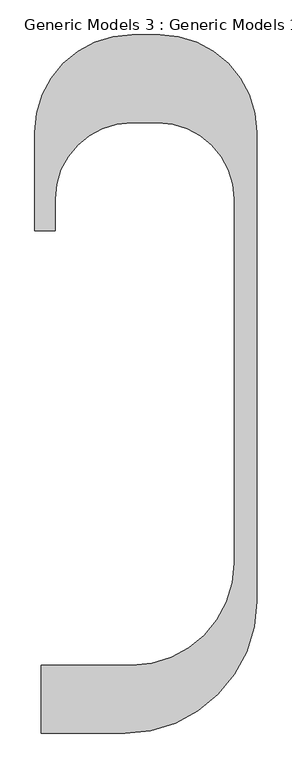
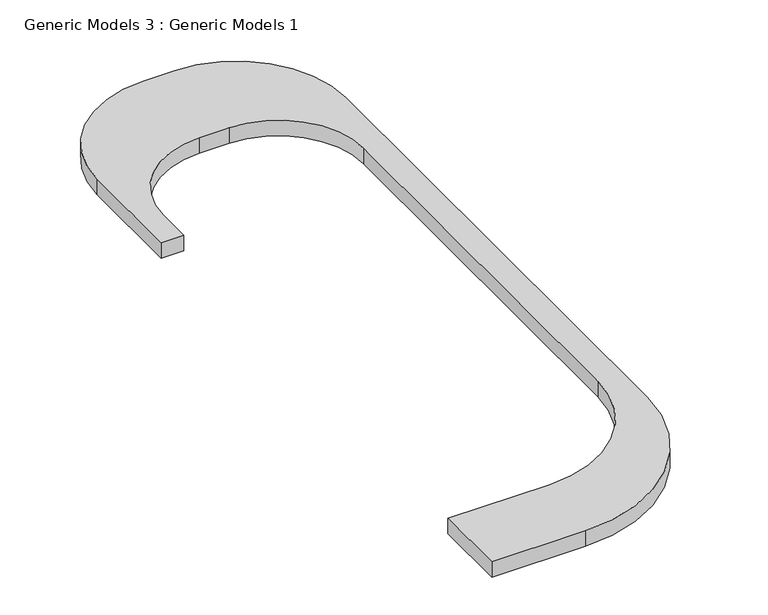
"""IFC4 building model written with IfcOpenShell, lengths in millimetres: proxy geometry, Generic Models 3 : Generic Models 1."""

from ifc_helpers import new_model, si_unit, frame, origin, place, context, project, spatial, polyline, circle_curve, source, transform, mapped, element, save
from ifc_brep_helpers import plane_surface, cylinder_surface, revolved_surface, advanced_brep


def generic_models_3_generic_models_1_43269b7f(model_context):
    return source(origin(), model_context, "Body", "AdvancedBrep", [
        advanced_brep(
        [(102105.4167041, -20668.1881628, 67900.0), (102496.8417904, -20668.1881628, 67900.0), (102496.8417904, -20057.1576217, 67900.0), (103971.8417904, -18582.1576217, 67900.0), (104488.6894647, -18582.1576217, 67900.0), (105963.6894647, -20057.1576217, 67900.0), (105963.6894647, -27080.3919311, 67900.0), (103988.6894647, -29055.3919311, 67900.0), (102227.9334936, -29055.3919311, 67900.0), (102227.9334936, -30367.6359187, 67900.0), (103670.3526485, -30367.6359187, 67900.0), (103847.0927681, -30367.6359187, 67900.0), (106397.0927681, -27817.6359187, 67900.0), (106397.0927681, -18759.7710786, 67900.0), (104522.0927681, -16884.7710786, 67900.0), (103980.4167041, -16884.7710786, 67900.0), (102105.4167041, -18759.7710786, 67900.0), (102105.4167041, -20668.1881628, 67615.9475624), (102105.4167041, -18759.7710786, 67615.9475624), (103980.4167041, -16884.7710786, 67615.9475624), (104522.0927681, -16884.7710786, 67615.9475624), (106397.0927681, -18759.7710786, 67615.9475624), (106397.0927681, -27817.6359187, 67615.9475624), (103847.0927681, -30367.6359187, 67615.9475624), (102227.9334936, -30367.6359187, 67615.9475624), (102227.9334936, -29055.3919311, 67615.9475624), (103988.6894647, -29055.3919311, 67615.9475624), (105963.6894647, -27080.3919311, 67615.9475624), (105963.6894647, -20057.1576217, 67615.9475624), (104488.6894647, -18582.1576217, 67615.9475624), (103971.8417904, -18582.1576217, 67615.9475624), (102496.8417904, -20057.1576217, 67615.9475624), (102496.8417904, -20668.1881628, 67615.9475624), (103847.0927681, -30367.6359187, 67700.0), (103847.0927681, -30367.6359187, 67750.0), (106397.0927681, -27817.6359187, 67750.0)],
        [
            (0, 1),
            (1, 2),
            (2, 3, circle_curve(frame((103971.8417904, -20057.1576217, 67900.0), z_axis=(0.0, 0.0, -1.0), x_axis=(-1.0, 0.0, 0.0)), 1475.0)),
            (3, 4),
            (4, 5, circle_curve(frame((104488.6894647, -20057.1576217, 67900.0), z_axis=(0.0, 0.0, -1.0), x_axis=(1.0, 0.0, 0.0)), 1475.0)),
            (5, 6),
            (6, 7, circle_curve(frame((103988.6894647, -27080.3919311, 67900.0), z_axis=(0.0, 0.0, -1.0), x_axis=(1.0, 0.0, 0.0)), 1975.0)),
            (7, 8),
            (8, 9),
            (9, 10),
            (10, 11),
            (11, 12, circle_curve(frame((103847.0927681, -27817.6359187, 67900.0), z_axis=(0.0, 0.0, 1.0), x_axis=(1.0, 0.0, 0.0)), 2550.0)),
            (12, 13),
            (13, 14, circle_curve(frame((104522.0927681, -18759.7710786, 67900.0), z_axis=(0.0, 0.0, 1.0), x_axis=(1.0, 0.0, 0.0)), 1875.0)),
            (14, 15),
            (15, 16, circle_curve(frame((103980.4167041, -18759.7710786, 67900.0), z_axis=(0.0, 0.0, 1.0), x_axis=(1.0, 0.0, 0.0)), 1875.0)),
            (16, 0),
            (17, 18),
            (18, 19, circle_curve(frame((103980.4167041, -18759.7710786, 67615.9475624), z_axis=(0.0, 0.0, -1.0), x_axis=(1.0, 0.0, 0.0)), 1875.0)),
            (19, 20),
            (20, 21, circle_curve(frame((104522.0927681, -18759.7710786, 67615.9475624), z_axis=(0.0, 0.0, -1.0), x_axis=(1.0, 0.0, 0.0)), 1875.0)),
            (21, 22),
            (22, 23, circle_curve(frame((103847.0927681, -27817.6359187, 67615.9475624), z_axis=(0.0, 0.0, -1.0), x_axis=(1.0, 0.0, 0.0)), 2550.0)),
            (23, 24),
            (24, 25),
            (25, 26),
            (26, 27, circle_curve(frame((103988.6894647, -27080.3919311, 67615.9475624), z_axis=(0.0, 0.0, 1.0), x_axis=(1.0, 0.0, 0.0)), 1975.0)),
            (27, 28),
            (28, 29, circle_curve(frame((104488.6894647, -20057.1576217, 67615.9475624), z_axis=(0.0, 0.0, 1.0), x_axis=(1.0, 0.0, 0.0)), 1475.0)),
            (29, 30),
            (30, 31, circle_curve(frame((103971.8417904, -20057.1576217, 67615.9475624), z_axis=(0.0, 0.0, 1.0), x_axis=(-1.0, 0.0, 0.0)), 1475.0)),
            (31, 32),
            (32, 17),
            (0, 17),
            (32, 1),
            (31, 2),
            (30, 3),
            (29, 4),
            (28, 5),
            (27, 6),
            (26, 7),
            (25, 8),
            (24, 9),
            (23, 33),
            (33, 34),
            (34, 11),
            (22, 35),
            (35, 12),
            (21, 13),
            (20, 14),
            (19, 15),
            (18, 16),
        ],
        [
            plane_surface(frame((103128.9334936, -20668.1881628, 67900.0), z_axis=(0.0, 0.0, 1.0), x_axis=(1.0, 0.0, 0.0))),
            plane_surface(frame((103128.9334936, -20668.1881628, 67615.9475624), z_axis=(0.0, 0.0, -1.0), x_axis=(-1.0, 0.0, 0.0))),
            plane_surface(frame((102105.4167041, -20668.1881628, 67900.0), z_axis=(0.0, -1.0, 0.0), x_axis=(0.0, 0.0, -1.0))),
            plane_surface(frame((102496.8417904, -20668.1881628, 67900.0), z_axis=(1.0, 0.0, 0.0), x_axis=(0.0, 0.0, -1.0))),
            revolved_surface(polyline([(102496.8417904, -20057.1576217, 67615.9475624), (102496.8417904, -20057.1576217, 67900.0)]), (103971.8417904, -20057.1576217, 67615.9475624), (0.0, 0.0, -1.0)),
            plane_surface(frame((103971.8417904, -18582.1576217, 67900.0), z_axis=(0.0, -1.0, 0.0), x_axis=(0.0, 0.0, -1.0))),
            revolved_surface(polyline([(105963.6894647, -20057.1576217, 67615.9475624), (105963.6894647, -20057.1576217, 67900.0)]), (104488.6894647, -20057.1576217, 67615.9475624), (0.0, 0.0, -1.0)),
            plane_surface(frame((105963.6894647, -20057.1576217, 67900.0), z_axis=(-1.0, 0.0, 0.0), x_axis=(0.0, 0.0, -1.0))),
            revolved_surface(polyline([(105963.6894647, -27080.3919311, 67615.9475624), (105963.6894647, -27080.3919311, 67900.0)]), (103988.6894647, -27080.3919311, 67615.9475624), (0.0, 0.0, -1.0)),
            plane_surface(frame((103988.6894647, -29055.3919311, 67900.0), z_axis=(0.0, 1.0, 0.0), x_axis=(0.0, 0.0, -1.0))),
            plane_surface(frame((102227.9334936, -29055.3919311, 67900.0), z_axis=(-1.0, 0.0, 0.0), x_axis=(0.0, 0.0, -1.0))),
            plane_surface(frame((102227.9334936, -30367.6359187, 67900.0), z_axis=(0.0, -1.0, 0.0), x_axis=(0.0, 0.0, -1.0))),
            cylinder_surface(frame((103847.0927681, -27817.6359187, 67615.9475624), z_axis=(0.0, 0.0, 1.0), x_axis=(1.0, 0.0, 0.0)), 2550.0),
            plane_surface(frame((106397.0927681, -27817.6359187, 67900.0), z_axis=(1.0, 0.0, 0.0), x_axis=(0.0, 0.0, -1.0))),
            cylinder_surface(frame((104522.0927681, -18759.7710786, 67615.9475624), z_axis=(0.0, 0.0, 1.0), x_axis=(1.0, 0.0, 0.0)), 1875.0),
            plane_surface(frame((104522.0927681, -16884.7710786, 67900.0), z_axis=(0.0, 1.0, 0.0), x_axis=(0.0, 0.0, -1.0))),
            cylinder_surface(frame((103980.4167041, -18759.7710786, 67615.9475624), z_axis=(0.0, 0.0, 1.0), x_axis=(1.0, 0.0, 0.0)), 1875.0),
            plane_surface(frame((102105.4167041, -18759.7710786, 67900.0), z_axis=(-1.0, 0.0, 0.0), x_axis=(0.0, 0.0, -1.0))),
        ],
        [
            (0, [[1, 2, 3, 4, 5, 6, 7, 8, 9, 10, 11, 12, 13, 14, 15, 16, 17]]),
            (1, [[18, 19, 20, 21, 22, 23, 24, 25, 26, 27, 28, 29, 30, 31, 32, 33]]),
            (2, [[-1, 34, -33, 35]]),
            (3, [[-2, -35, -32, 36]]),
            (4, [[-3, -36, -31, 37]]),
            (5, [[-4, -37, -30, 38]]),
            (6, [[-5, -38, -29, 39]]),
            (7, [[-6, -39, -28, 40]]),
            (8, [[-7, -40, -27, 41]]),
            (9, [[-8, -41, -26, 42]]),
            (10, [[-9, -42, -25, 43]]),
            (11, [[-24, 44, 45, 46, -11, -10, -43]]),
            (12, [[-12, -46, -45, -44, -23, 47, 48]]),
            (13, [[-13, -48, -47, -22, 49]]),
            (14, [[-14, -49, -21, 50]]),
            (15, [[-15, -50, -20, 51]]),
            (16, [[-16, -51, -19, 52]]),
            (17, [[-17, -52, -18, -34]]),
        ],
    ),
    ])


if __name__ == "__main__":
    model = new_model("IFC4")
    model_context = context("Model", 3, world=origin())
    ifc_project = project(units=[si_unit("LENGTHUNIT", "METRE", prefix="MILLI")], contexts=[model_context])
    site = spatial("IfcSite", under=ifc_project)
    building = spatial("IfcBuilding", under=site)
    placement = place(None, origin())
    generic_models_3_generic_models_1_shape = generic_models_3_generic_models_1_43269b7f(model_context)
    element("IfcBuildingElementProxy", 1, Name="Generic Models 3 : Generic Models 1", ObjectType="Generic Models 3 : Generic Models 1", at=placement, inside=building, context=model_context, shape_type="MappedRepresentation", body=[
        mapped(generic_models_3_generic_models_1_shape, transform((0.0, 0.0, 0.0), x_axis=(1.0, 0.0, 0.0), y_axis=(0.0, 1.0, 0.0), z_axis=(0.0, 0.0, 1.0))),
    ])
    save(model, "model.ifc")
